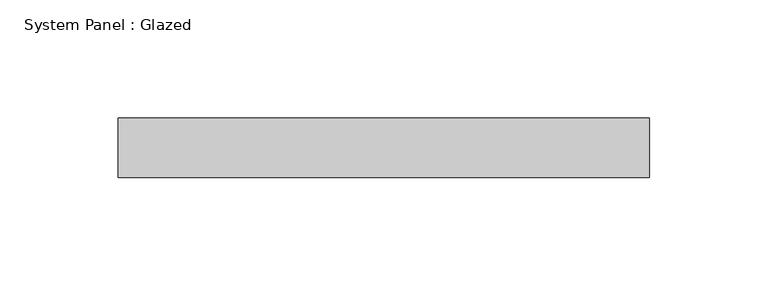
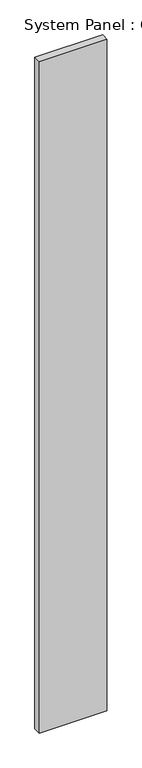
"""IFC4 building model written with IfcOpenShell, lengths in millimetres: plate geometry, System Panel : Glazed."""

from ifc_helpers import new_model, si_unit, origin, origin_with_axes, place, context, project, spatial, polyline, outline, extrude, source, transform, mapped, element, save


def system_panel_glazed_850e4b82(model_context):
    return source(origin(), model_context, "Body", "SweptSolid", [
        extrude(outline(polyline([(112.0771004, -49.5), (-112.0771004, -49.5), (-112.0771004, -24.5), (112.0771004, -24.5), (112.0771004, -49.5)])), origin_with_axes(), (0.0, 0.0, 1.0), 2350.0),
    ])


if __name__ == "__main__":
    model = new_model("IFC4")
    model_context = context("Model", 3, world=origin())
    ifc_project = project(units=[si_unit("LENGTHUNIT", "METRE", prefix="MILLI")], contexts=[model_context])
    site = spatial("IfcSite", under=ifc_project)
    building = spatial("IfcBuilding", under=site)
    placement = place(None, origin())
    system_panel_glazed_shape = system_panel_glazed_850e4b82(model_context)
    element("IfcPlate", 1, ObjectType="System Panel : Glazed", at=placement, inside=building, context=model_context, shape_type="MappedRepresentation", body=[
        mapped(system_panel_glazed_shape, transform((0.0, 0.0, 0.0), x_axis=(1.0, 0.0, 0.0), y_axis=(0.0, 1.0, 0.0), z_axis=(0.0, 0.0, 1.0))),
    ])
    save(model, "model.ifc")
